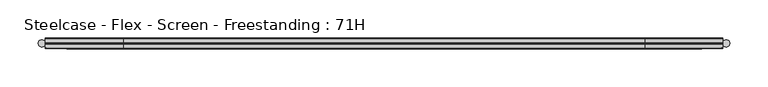
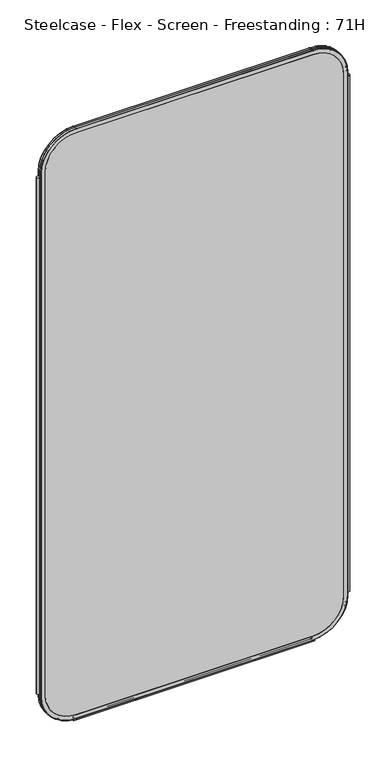
"""IFC4 building model written with IfcOpenShell, lengths in millimetres: furniture geometry, Steelcase - Flex - Screen - Freestanding : 71H."""

from ifc_helpers import new_model, si_unit, point, frame, frame_2d, origin, place, context, project, spatial, polyline, circle_curve, ellipse_curve, trimmed, segment, composite_curve, outline, extrude, source, transform, mapped, element, save
from ifc_brep_helpers import plane_surface, cylinder_surface, revolved_surface, advanced_brep


def steelcase_flex_screen_freestanding_71h_8a43d6be(model_context):
    return source(origin(), model_context, "Body", "SolidModel", [
        extrude(outline(composite_curve([segment(trimmed(circle_curve(frame_2d((4.5307839, 0.0)), 4.572), [point((-0.0412161, 0.0))], [point((9.1027839, 0.0))], False, "CARTESIAN"), True, "CONTINUOUS"), segment(trimmed(circle_curve(frame_2d((4.5307839, 0.0)), 4.572), [point((9.1027839, 0.0))], [point((-0.0412161, 0.0))], False, "CARTESIAN"), True, "CONTINUOUS")], self_intersect=False)), frame((0.0, 0.0, 115.57), z_axis=(0.0, 0.0, 1.0), x_axis=(1.0, 0.0, 0.0)), (0.0, 0.0, 1.0), 1572.26),
        extrude(outline(composite_curve([segment(trimmed(circle_curve(frame_2d((898.7749587, 0.0)), 4.572), [point((894.2029587, 0.0))], [point((903.3469587, 0.0))], False, "CARTESIAN"), True, "CONTINUOUS"), segment(trimmed(circle_curve(frame_2d((898.7749587, 0.0)), 4.572), [point((903.3469587, 0.0))], [point((894.2029587, 0.0))], False, "CARTESIAN"), True, "CONTINUOUS")], self_intersect=False)), frame((0.0, 0.0, 115.57), z_axis=(0.0, 0.0, 1.0), x_axis=(1.0, 0.0, 0.0)), (0.0, 0.0, 1.0), 1572.26),
        extrude(outline(composite_curve([segment(trimmed(circle_curve(frame_2d((-3.5, 4.4751953)), 0.5), [point((-3.5, 4.9751953))], [point((-3.5, 3.9751953))], False, "CARTESIAN"), True, "CONTINUOUS"), segment(trimmed(circle_curve(frame_2d((-3.5, 2.4751953)), 1.5), [point((-3.5, 3.9751953))], [point((-2.3025096, 1.5718589))], True, "CARTESIAN"), True, "CONTINUOUS"), segment(trimmed(circle_curve(frame_2d((-10.3325937, 7.629417)), 10.0586411), [point((-2.3025096, 1.5718589))], [point((-0.714976, 4.6836248))], True, "CARTESIAN"), True, "CONTINUOUS"), segment(trimmed(circle_curve(frame_2d((0.0, 4.4646339)), 0.7477618), [point((-0.714976, 4.6836248))], [point((0.714976, 4.6836248))], False, "CARTESIAN"), True, "CONTINUOUS"), segment(trimmed(circle_curve(frame_2d((10.3325937, 7.629417)), 10.0586411), [point((0.714976, 4.6836248))], [point((2.3025096, 1.5718589))], True, "CARTESIAN"), True, "CONTINUOUS"), segment(trimmed(circle_curve(frame_2d((3.5, 2.4751953)), 1.5), [point((2.3025096, 1.5718589))], [point((3.5, 3.9751953))], True, "CARTESIAN"), True, "CONTINUOUS"), segment(trimmed(circle_curve(frame_2d((3.5, 4.4751953)), 0.5), [point((3.5, 3.9751953))], [point((3.5, 4.9751953))], False, "CARTESIAN"), True, "CONTINUOUS"), segment(trimmed(circle_curve(frame_2d((3.5, 2.4751953)), 2.5), [point((3.5, 4.9751953))], [point((1.4656663, 1.0220998))], False, "CARTESIAN"), True, "CONTINUOUS"), segment(trimmed(circle_curve(frame_2d((0.0, -0.0248047)), 1.8011626), [point((1.4656663, 1.0220998))], [point((-1.4656663, 1.0220998))], True, "CARTESIAN"), True, "CONTINUOUS"), segment(trimmed(circle_curve(frame_2d((-3.5, 2.4751953)), 2.5), [point((-1.4656663, 1.0220998))], [point((-3.5, 4.9751953))], False, "CARTESIAN"), True, "CONTINUOUS")], self_intersect=False)), frame((104.1640108, 0.0, 0.0), z_axis=(1.0, 0.0, 0.0), x_axis=(0.0, 1.0, 0.0)), (0.0, 0.0, 1.0), 694.9777209),
        advanced_brep(
        [(9.9273521, 0.0, 1701.8), (110.7653521, 0.0, 1802.638), (792.5652086, 0.0, 1802.638), (893.4032086, 0.0, 1701.8), (893.4032086, 0.0, 106.5996464), (792.5652086, 0.0, 5.7616464), (110.7653521, 0.0, 5.7616464), (9.9273521, 0.0, 106.5996464), (792.5652086, 0.0, 17.6996464), (881.4652086, 0.0, 106.5996464), (881.4652086, 0.0, 1701.8), (792.5652086, 0.0, 1790.7), (110.7653521, 0.0, 1790.7), (21.8653521, 0.0, 1701.8), (21.8653521, 0.0, 106.5996464), (110.7653521, 0.0, 17.6996464), (110.7653521, -0.762, 1803.4), (9.1653521, -0.762, 1701.8), (110.7653521, -6.096, 1803.4), (9.1653521, -6.096, 1701.8), (110.7653521, -6.858, 1802.638), (9.9273521, -6.858, 1701.8), (110.7653521, -6.858, 1790.7), (21.8653521, -6.858, 1701.8), (792.5652086, -0.762, 1803.4), (792.5652086, -6.096, 1803.4), (792.5652086, -6.858, 1802.638), (792.5652086, -6.858, 1790.7), (894.1652086, -0.762, 1701.8), (894.1652086, -6.096, 1701.8), (893.4032086, -6.858, 1701.8), (881.4652086, -6.858, 1701.8), (894.1652086, -0.762, 106.5996464), (894.1652086, -6.096, 106.5996464), (893.4032086, -6.858, 106.5996464), (881.4652086, -6.858, 106.5996464), (792.5652086, -0.762, 4.9996464), (792.5652086, -6.096, 4.9996464), (792.5652086, -6.858, 5.7616464), (792.5652086, -6.858, 17.6996464), (110.7653521, -0.762, 4.9996464), (110.7653521, -6.096, 4.9996464), (110.7653521, -6.858, 5.7616464), (110.7653521, -6.858, 17.6996464), (9.1653521, -0.762, 106.5996464), (9.1653521, -6.096, 106.5996464), (9.9273521, -6.858, 106.5996464), (21.8653521, -6.858, 106.5996464)],
        [
            (0, 1, circle_curve(frame((110.7653521, 0.0, 1701.8), z_axis=(0.0, 1.0, 0.0), x_axis=(-1.0, 0.0, 0.0)), 100.838)),
            (1, 2),
            (2, 3, circle_curve(frame((792.5652086, 0.0, 1701.8), z_axis=(0.0, 1.0, 0.0), x_axis=(0.0, 0.0, 1.0)), 100.838)),
            (3, 4),
            (4, 5, circle_curve(frame((792.5652086, 0.0, 106.5996464), z_axis=(0.0, 1.0, 0.0), x_axis=(1.0, 0.0, 0.0)), 100.838)),
            (5, 6),
            (6, 7, circle_curve(frame((110.7653521, 0.0, 106.5996464), z_axis=(0.0, 1.0, 0.0), x_axis=(0.0, 0.0, -1.0)), 100.838)),
            (7, 0),
            (8, 9, circle_curve(frame((792.5652086, 0.0, 106.5996464), z_axis=(0.0, -1.0, 0.0), x_axis=(1.0, 0.0, 0.0)), 88.9)),
            (9, 10),
            (10, 11, circle_curve(frame((792.5652086, 0.0, 1701.8), z_axis=(0.0, -1.0, 0.0), x_axis=(0.0, 0.0, 1.0)), 88.9)),
            (11, 12),
            (12, 13, circle_curve(frame((110.7653521, 0.0, 1701.8), z_axis=(0.0, -1.0, 0.0), x_axis=(-1.0, 0.0, 0.0)), 88.9)),
            (13, 14),
            (14, 15, circle_curve(frame((110.7653521, 0.0, 106.5996464), z_axis=(0.0, -1.0, 0.0), x_axis=(0.0, 0.0, -1.0)), 88.9)),
            (15, 8),
            (16, 1, circle_curve(frame((110.7653521, -0.762, 1802.638), z_axis=(-1.0, 0.0, 0.0), x_axis=(0.0, 0.0, 1.0)), 0.762)),
            (0, 17, circle_curve(frame((9.9273521, -0.762, 1701.8), z_axis=(0.0, 0.0, 1.0), x_axis=(-1.0, 0.0, 0.0)), 0.762)),
            (17, 16, circle_curve(frame((110.7653521, -0.762, 1701.8), z_axis=(0.0, 1.0, 0.0), x_axis=(-1.0, 0.0, 0.0)), 101.6)),
            (18, 16),
            (17, 19),
            (19, 18, circle_curve(frame((110.7653521, -6.096, 1701.8), z_axis=(0.0, 1.0, 0.0), x_axis=(-1.0, 0.0, 0.0)), 101.6)),
            (20, 18, circle_curve(frame((110.7653521, -6.096, 1802.638), z_axis=(-1.0, 0.0, 0.0), x_axis=(0.0, 0.0, 1.0)), 0.762)),
            (19, 21, circle_curve(frame((9.9273521, -6.096, 1701.8), z_axis=(0.0, 0.0, 1.0), x_axis=(-1.0, 0.0, 0.0)), 0.762)),
            (21, 20, circle_curve(frame((110.7653521, -6.858, 1701.8), z_axis=(0.0, 1.0, 0.0), x_axis=(-1.0, 0.0, 0.0)), 100.838)),
            (12, 22),
            (22, 23, circle_curve(frame((110.7653521, -6.858, 1701.8), z_axis=(0.0, -1.0, 0.0), x_axis=(-1.0, 0.0, 0.0)), 88.9)),
            (23, 13),
            (16, 24),
            (24, 2, circle_curve(frame((792.5652086, -0.762, 1802.638), z_axis=(-1.0, 0.0, 0.0), x_axis=(0.0, 0.0, 1.0)), 0.762)),
            (18, 25),
            (25, 24),
            (20, 26),
            (26, 25, circle_curve(frame((792.5652086, -6.096, 1802.638), z_axis=(-1.0, 0.0, 0.0), x_axis=(0.0, 0.0, 1.0)), 0.762)),
            (11, 27),
            (27, 22),
            (28, 3, circle_curve(frame((893.4032086, -0.762, 1701.8), z_axis=(0.0, 0.0, 1.0), x_axis=(1.0, 0.0, 0.0)), 0.762)),
            (24, 28, circle_curve(frame((792.5652086, -0.762, 1701.8), z_axis=(0.0, 1.0, 0.0), x_axis=(0.0, 0.0, 1.0)), 101.6)),
            (29, 28),
            (25, 29, circle_curve(frame((792.5652086, -6.096, 1701.8), z_axis=(0.0, 1.0, 0.0), x_axis=(0.0, 0.0, 1.0)), 101.6)),
            (30, 29, circle_curve(frame((893.4032086, -6.096, 1701.8), z_axis=(0.0, 0.0, 1.0), x_axis=(1.0, 0.0, 0.0)), 0.762)),
            (26, 30, circle_curve(frame((792.5652086, -6.858, 1701.8), z_axis=(0.0, 1.0, 0.0), x_axis=(0.0, 0.0, 1.0)), 100.838)),
            (10, 31),
            (31, 27, circle_curve(frame((792.5652086, -6.858, 1701.8), z_axis=(0.0, -1.0, 0.0), x_axis=(0.0, 0.0, 1.0)), 88.9)),
            (28, 32),
            (32, 4, circle_curve(frame((893.4032086, -0.762, 106.5996464), z_axis=(0.0, 0.0, 1.0), x_axis=(1.0, 0.0, 0.0)), 0.762)),
            (29, 33),
            (33, 32),
            (30, 34),
            (34, 33, circle_curve(frame((893.4032086, -6.096, 106.5996464), z_axis=(0.0, 0.0, 1.0), x_axis=(1.0, 0.0, 0.0)), 0.762)),
            (9, 35),
            (35, 31),
            (36, 5, circle_curve(frame((792.5652086, -0.762, 5.7616464), z_axis=(1.0, 0.0, 0.0), x_axis=(0.0, 0.0, -1.0)), 0.762)),
            (32, 36, circle_curve(frame((792.5652086, -0.762, 106.5996464), z_axis=(0.0, 1.0, 0.0), x_axis=(1.0, 0.0, 0.0)), 101.6)),
            (37, 36),
            (33, 37, circle_curve(frame((792.5652086, -6.096, 106.5996464), z_axis=(0.0, 1.0, 0.0), x_axis=(1.0, 0.0, 0.0)), 101.6)),
            (38, 37, circle_curve(frame((792.5652086, -6.096, 5.7616464), z_axis=(1.0, 0.0, 0.0), x_axis=(0.0, 0.0, -1.0)), 0.762)),
            (34, 38, circle_curve(frame((792.5652086, -6.858, 106.5996464), z_axis=(0.0, 1.0, 0.0), x_axis=(1.0, 0.0, 0.0)), 100.838)),
            (8, 39),
            (39, 35, circle_curve(frame((792.5652086, -6.858, 106.5996464), z_axis=(0.0, -1.0, 0.0), x_axis=(1.0, 0.0, 0.0)), 88.9)),
            (36, 40),
            (40, 6, circle_curve(frame((110.7653521, -0.762, 5.7616464), z_axis=(1.0, 0.0, 0.0), x_axis=(0.0, 0.0, -1.0)), 0.762)),
            (37, 41),
            (41, 40),
            (38, 42),
            (42, 41, circle_curve(frame((110.7653521, -6.096, 5.7616464), z_axis=(1.0, 0.0, 0.0), x_axis=(0.0, 0.0, -1.0)), 0.762)),
            (15, 43),
            (43, 39),
            (44, 7, circle_curve(frame((9.9273521, -0.762, 106.5996464), z_axis=(0.0, 0.0, -1.0), x_axis=(-1.0, 0.0, 0.0)), 0.762)),
            (40, 44, circle_curve(frame((110.7653521, -0.762, 106.5996464), z_axis=(0.0, 1.0, 0.0), x_axis=(0.0, 0.0, -1.0)), 101.6)),
            (45, 44),
            (41, 45, circle_curve(frame((110.7653521, -6.096, 106.5996464), z_axis=(0.0, 1.0, 0.0), x_axis=(0.0, 0.0, -1.0)), 101.6)),
            (46, 45, circle_curve(frame((9.9273521, -6.096, 106.5996464), z_axis=(0.0, 0.0, -1.0), x_axis=(-1.0, 0.0, 0.0)), 0.762)),
            (42, 46, circle_curve(frame((110.7653521, -6.858, 106.5996464), z_axis=(0.0, 1.0, 0.0), x_axis=(0.0, 0.0, -1.0)), 100.838)),
            (14, 47),
            (47, 43, circle_curve(frame((110.7653521, -6.858, 106.5996464), z_axis=(0.0, -1.0, 0.0), x_axis=(0.0, 0.0, -1.0)), 88.9)),
            (44, 17),
            (45, 19),
            (46, 21),
            (47, 23),
        ],
        [
            plane_surface(frame((21.8653521, 0.0, 106.5996464), z_axis=(0.0, 1.0, 0.0), x_axis=(0.0, 0.0, 1.0))),
            revolved_surface(trimmed(ellipse_curve(frame((9.9273521, -0.762, 1701.8), z_axis=(0.0, 0.0, 1.0), x_axis=(-1.0, 0.0, 0.0)), 0.762, 0.762), [point((9.9273521, 0.0, 1701.8))], [point((9.1653521, -0.762, 1701.8))], True, "CARTESIAN"), (110.7653521, 0.0, 1701.8), (0.0, -1.0, 0.0)),
            cylinder_surface(frame((110.7653521, 0.0, 1701.8), z_axis=(0.0, -1.0, 0.0), x_axis=(-1.0, 0.0, 0.0)), 101.6),
            revolved_surface(trimmed(ellipse_curve(frame((9.9273521, -6.096, 1701.8), z_axis=(0.0, 0.0, 1.0), x_axis=(-1.0, 0.0, 0.0)), 0.762, 0.762), [point((9.1653521, -6.096, 1701.8))], [point((9.9273521, -6.858, 1701.8))], True, "CARTESIAN"), (110.7653521, 0.0, 1701.8), (0.0, -1.0, 0.0)),
            revolved_surface(polyline([(21.865352099999996, -6.858, 1701.8), (21.865352099999996, 0.0, 1701.8)]), (110.7653521, 0.0, 1701.8), (0.0, -1.0, 0.0)),
            cylinder_surface(frame((110.7653521, -0.762, 1802.638), z_axis=(-1.0, 0.0, 0.0), x_axis=(0.0, 0.0, 1.0)), 0.762),
            plane_surface(frame((110.7653521, -0.762, 1803.4), z_axis=(0.0, 0.0, 1.0), x_axis=(1.0, 0.0, 0.0))),
            cylinder_surface(frame((110.7653521, -6.096, 1802.638), z_axis=(-1.0, 0.0, 0.0), x_axis=(0.0, 0.0, 1.0)), 0.762),
            plane_surface(frame((110.7653521, -6.858, 1790.7), z_axis=(0.0, 0.0, -1.0), x_axis=(1.0, 0.0, 0.0))),
            revolved_surface(trimmed(ellipse_curve(frame((792.5652086, -0.762, 1802.638), z_axis=(1.0, 0.0, 0.0), x_axis=(0.0, 0.0, 1.0)), 0.762, 0.762), [point((792.5652086, 0.0, 1802.638))], [point((792.5652086, -0.762, 1803.4))], True, "CARTESIAN"), (792.5652086, 0.0, 1701.8), (0.0, -1.0, 0.0)),
            cylinder_surface(frame((792.5652086, 0.0, 1701.8), z_axis=(0.0, -1.0, 0.0), x_axis=(0.0, 0.0, 1.0)), 101.6),
            revolved_surface(trimmed(ellipse_curve(frame((792.5652086, -6.096, 1802.638), z_axis=(1.0, 0.0, 0.0), x_axis=(0.0, 0.0, 1.0)), 0.762, 0.762), [point((792.5652086, -6.096, 1803.4))], [point((792.5652086, -6.858, 1802.638))], True, "CARTESIAN"), (792.5652086, 0.0, 1701.8), (0.0, -1.0, 0.0)),
            revolved_surface(polyline([(792.5652086, -6.858, 1790.7), (792.5652086, 0.0, 1790.7)]), (792.5652086, 0.0, 1701.8), (0.0, -1.0, 0.0)),
            cylinder_surface(frame((893.4032086, -0.762, 1701.8), z_axis=(0.0, 0.0, 1.0), x_axis=(1.0, 0.0, 0.0)), 0.762),
            plane_surface(frame((894.1652086, -0.762, 1701.8), z_axis=(1.0, 0.0, 0.0), x_axis=(0.0, 0.0, -1.0))),
            cylinder_surface(frame((893.4032086, -6.096, 1701.8), z_axis=(0.0, 0.0, 1.0), x_axis=(1.0, 0.0, 0.0)), 0.762),
            plane_surface(frame((881.4652086, -6.858, 1701.8), z_axis=(-1.0, 0.0, 0.0), x_axis=(0.0, 0.0, -1.0))),
            revolved_surface(trimmed(ellipse_curve(frame((893.4032086, -0.762, 106.5996464), z_axis=(0.0, 0.0, -1.0), x_axis=(1.0, 0.0, 0.0)), 0.762, 0.762), [point((893.4032086, 0.0, 106.5996464))], [point((894.1652086, -0.762, 106.5996464))], True, "CARTESIAN"), (792.5652086, 0.0, 106.5996464), (0.0, -1.0, 0.0)),
            cylinder_surface(frame((792.5652086, 0.0, 106.5996464), z_axis=(0.0, -1.0, 0.0), x_axis=(1.0, 0.0, 0.0)), 101.6),
            revolved_surface(trimmed(ellipse_curve(frame((893.4032086, -6.096, 106.5996464), z_axis=(0.0, 0.0, -1.0), x_axis=(1.0, 0.0, 0.0)), 0.762, 0.762), [point((894.1652086, -6.096, 106.5996464))], [point((893.4032086, -6.858, 106.5996464))], True, "CARTESIAN"), (792.5652086, 0.0, 106.5996464), (0.0, -1.0, 0.0)),
            revolved_surface(polyline([(881.4652086, -6.858, 106.5996464), (881.4652086, 0.0, 106.5996464)]), (792.5652086, 0.0, 106.5996464), (0.0, -1.0, 0.0)),
            cylinder_surface(frame((792.5652086, -0.762, 5.7616464), z_axis=(1.0, 0.0, 0.0), x_axis=(0.0, 0.0, -1.0)), 0.762),
            plane_surface(frame((792.5652086, -0.762, 4.9996464), z_axis=(0.0, 0.0, -1.0), x_axis=(-1.0, 0.0, 0.0))),
            cylinder_surface(frame((792.5652086, -6.096, 5.7616464), z_axis=(1.0, 0.0, 0.0), x_axis=(0.0, 0.0, -1.0)), 0.762),
            plane_surface(frame((792.5652086, -6.858, 17.6996464), z_axis=(0.0, 0.0, 1.0), x_axis=(-1.0, 0.0, 0.0))),
            revolved_surface(trimmed(ellipse_curve(frame((110.7653521, -0.762, 5.7616464), z_axis=(-1.0, 0.0, 0.0), x_axis=(0.0, 0.0, -1.0)), 0.762, 0.762), [point((110.7653521, 0.0, 5.7616464))], [point((110.7653521, -0.762, 4.9996464))], True, "CARTESIAN"), (110.7653521, 0.0, 106.5996464), (0.0, -1.0, 0.0)),
            cylinder_surface(frame((110.7653521, 0.0, 106.5996464), z_axis=(0.0, -1.0, 0.0), x_axis=(0.0, 0.0, -1.0)), 101.6),
            revolved_surface(trimmed(ellipse_curve(frame((110.7653521, -6.096, 5.7616464), z_axis=(-1.0, 0.0, 0.0), x_axis=(0.0, 0.0, -1.0)), 0.762, 0.762), [point((110.7653521, -6.096, 4.9996464))], [point((110.7653521, -6.858, 5.7616464))], True, "CARTESIAN"), (110.7653521, 0.0, 106.5996464), (0.0, -1.0, 0.0)),
            revolved_surface(polyline([(110.7653521, -6.858, 17.699646399999992), (110.7653521, 0.0, 17.699646399999992)]), (110.7653521, 0.0, 106.5996464), (0.0, -1.0, 0.0)),
            cylinder_surface(frame((9.9273521, -0.762, 106.5996464), z_axis=(0.0, 0.0, -1.0), x_axis=(-1.0, 0.0, 0.0)), 0.762),
            plane_surface(frame((9.1653521, -0.762, 106.5996464), z_axis=(-1.0, 0.0, 0.0), x_axis=(0.0, 0.0, 1.0))),
            cylinder_surface(frame((9.9273521, -6.096, 106.5996464), z_axis=(0.0, 0.0, -1.0), x_axis=(-1.0, 0.0, 0.0)), 0.762),
            plane_surface(frame((9.9273521, -6.858, 106.5996464), z_axis=(0.0, -1.0, 0.0), x_axis=(0.0, 0.0, 1.0))),
            plane_surface(frame((21.8653521, -6.858, 106.5996464), z_axis=(1.0, 0.0, 0.0), x_axis=(0.0, 0.0, 1.0))),
        ],
        [
            (0, [[1, 2, 3, 4, 5, 6, 7, 8], [9, 10, 11, 12, 13, 14, 15, 16]]),
            (1, [[17, -1, 18, 19]]),
            (2, [[20, -19, 21, 22]]),
            (3, [[23, -22, 24, 25]]),
            (4, [[26, 27, 28, -13]]),
            (5, [[29, 30, -2, -17]]),
            (6, [[31, 32, -29, -20]]),
            (7, [[33, 34, -31, -23]]),
            (8, [[-12, 35, 36, -26]]),
            (9, [[37, -3, -30, 38]]),
            (10, [[39, -38, -32, 40]]),
            (11, [[41, -40, -34, 42]]),
            (12, [[43, 44, -35, -11]]),
            (13, [[45, 46, -4, -37]]),
            (14, [[47, 48, -45, -39]]),
            (15, [[49, 50, -47, -41]]),
            (16, [[-10, 51, 52, -43]]),
            (17, [[53, -5, -46, 54]]),
            (18, [[55, -54, -48, 56]]),
            (19, [[57, -56, -50, 58]]),
            (20, [[59, 60, -51, -9]]),
            (21, [[61, 62, -6, -53]]),
            (22, [[63, 64, -61, -55]]),
            (23, [[65, 66, -63, -57]]),
            (24, [[-16, 67, 68, -59]]),
            (25, [[69, -7, -62, 70]]),
            (26, [[71, -70, -64, 72]]),
            (27, [[73, -72, -66, 74]]),
            (28, [[75, 76, -67, -15]]),
            (29, [[77, -18, -8, -69]]),
            (30, [[78, -21, -77, -71]]),
            (31, [[79, -24, -78, -73]]),
            (32, [[-58, -49, -42, -33, -25, -79, -74, -65], [-27, -36, -44, -52, -60, -68, -76, 80]]),
            (33, [[-14, -28, -80, -75]]),
        ],
    ),
        extrude(outline(composite_curve([segment(polyline([(1790.7, 792.5652086), (1790.7, 110.7653521)]), True, "CONTINUOUS"), segment(trimmed(circle_curve(frame_2d((1701.8, 110.7653521)), 88.9), [point((1790.7, 110.7653521))], [point((1701.8, 21.8653521))], False, "CARTESIAN"), True, "CONTINUOUS"), segment(polyline([(1701.8, 21.8653521), (106.5996464, 21.8653521)]), True, "CONTINUOUS"), segment(trimmed(circle_curve(frame_2d((106.5996464, 110.7653521)), 88.9), [point((106.5996464, 21.8653521))], [point((17.6996464, 110.7653521))], False, "CARTESIAN"), True, "CONTINUOUS"), segment(polyline([(17.6996464, 110.7653521), (17.6996464, 792.5652086)]), True, "CONTINUOUS"), segment(trimmed(circle_curve(frame_2d((106.5996464, 792.5652086)), 88.9), [point((17.6996464, 792.5652086))], [point((106.5996464, 881.4652086))], False, "CARTESIAN"), True, "CONTINUOUS"), segment(polyline([(106.5996464, 881.4652086), (1701.8, 881.4652086)]), True, "CONTINUOUS"), segment(trimmed(circle_curve(frame_2d((1701.8, 792.5652086)), 88.9), [point((1701.8, 881.4652086))], [point((1790.7, 792.5652086))], False, "CARTESIAN"), True, "CONTINUOUS")], self_intersect=False)), frame((0.0, -6.858, 0.0), z_axis=(0.0, 1.0, 0.0), x_axis=(0.0, 0.0, 1.0)), (0.0, 0.0, 1.0), 6.858),
        advanced_brep(
        [(110.7653521, 6.858, 1790.7), (110.7653521, 0.0, 1790.7), (21.8653521, 0.0, 1701.8), (21.8653521, 6.858, 1701.8), (110.7653521, 6.096, 1803.4), (110.7653521, 6.858, 1802.638), (9.9273521, 6.858, 1701.8), (9.1653521, 6.096, 1701.8), (110.7653521, 0.762, 1803.4), (9.1653521, 0.762, 1701.8), (110.7653521, 0.0, 1802.638), (9.9273521, 0.0, 1701.8), (792.5652086, 6.858, 1790.7), (792.5652086, 0.0, 1790.7), (792.5652086, 6.096, 1803.4), (792.5652086, 6.858, 1802.638), (792.5652086, 0.762, 1803.4), (792.5652086, 0.0, 1802.638), (881.4652086, 6.858, 1701.8), (881.4652086, 0.0, 1701.8), (894.1652086, 6.096, 1701.8), (893.4032086, 6.858, 1701.8), (894.1652086, 0.762, 1701.8), (893.4032086, 0.0, 1701.8), (881.4652086, 6.858, 106.5996464), (881.4652086, 0.0, 106.5996464), (894.1652086, 6.096, 106.5996464), (893.4032086, 6.858, 106.5996464), (894.1652086, 0.762, 106.5996464), (893.4032086, 0.0, 106.5996464), (792.5652086, 6.858, 17.6996464), (792.5652086, 0.0, 17.6996464), (792.5652086, 6.096, 4.9996464), (792.5652086, 6.858, 5.7616464), (792.5652086, 0.762, 4.9996464), (792.5652086, 0.0, 5.7616464), (110.7653521, 6.858, 17.6996464), (110.7653521, 0.0, 17.6996464), (110.7653521, 6.096, 4.9996464), (110.7653521, 6.858, 5.7616464), (110.7653521, 0.762, 4.9996464), (110.7653521, 0.0, 5.7616464), (21.8653521, 6.858, 106.5996464), (21.8653521, 0.0, 106.5996464), (9.1653521, 6.096, 106.5996464), (9.9273521, 6.858, 106.5996464), (9.1653521, 0.762, 106.5996464), (9.9273521, 0.0, 106.5996464)],
        [
            (0, 1),
            (1, 2, circle_curve(frame((110.7653521, 0.0, 1701.8), z_axis=(0.0, -1.0, 0.0), x_axis=(-1.0, 0.0, 0.0)), 88.9)),
            (2, 3),
            (3, 0, circle_curve(frame((110.7653521, 6.858, 1701.8), z_axis=(0.0, 1.0, 0.0), x_axis=(-1.0, 0.0, 0.0)), 88.9)),
            (4, 5, circle_curve(frame((110.7653521, 6.096, 1802.638), z_axis=(-1.0, 0.0, 0.0), x_axis=(0.0, 0.0, 1.0)), 0.762)),
            (5, 6, circle_curve(frame((110.7653521, 6.858, 1701.8), z_axis=(0.0, -1.0, 0.0), x_axis=(-1.0, 0.0, 0.0)), 100.838)),
            (6, 7, circle_curve(frame((9.9273521, 6.096, 1701.8), z_axis=(0.0, 0.0, 1.0), x_axis=(-1.0, 0.0, 0.0)), 0.762)),
            (7, 4, circle_curve(frame((110.7653521, 6.096, 1701.8), z_axis=(0.0, 1.0, 0.0), x_axis=(-1.0, 0.0, 0.0)), 101.6)),
            (8, 4),
            (7, 9),
            (9, 8, circle_curve(frame((110.7653521, 0.762, 1701.8), z_axis=(0.0, 1.0, 0.0), x_axis=(-1.0, 0.0, 0.0)), 101.6)),
            (10, 8, circle_curve(frame((110.7653521, 0.762, 1802.638), z_axis=(-1.0, 0.0, 0.0), x_axis=(0.0, 0.0, 1.0)), 0.762)),
            (9, 11, circle_curve(frame((9.9273521, 0.762, 1701.8), z_axis=(0.0, 0.0, 1.0), x_axis=(-1.0, 0.0, 0.0)), 0.762)),
            (11, 10, circle_curve(frame((110.7653521, 0.0, 1701.8), z_axis=(0.0, 1.0, 0.0), x_axis=(-1.0, 0.0, 0.0)), 100.838)),
            (0, 12),
            (12, 13),
            (13, 1),
            (4, 14),
            (14, 15, circle_curve(frame((792.5652086, 6.096, 1802.638), z_axis=(-1.0, 0.0, 0.0), x_axis=(0.0, 0.0, 1.0)), 0.762)),
            (15, 5),
            (8, 16),
            (16, 14),
            (10, 17),
            (17, 16, circle_curve(frame((792.5652086, 0.762, 1802.638), z_axis=(-1.0, 0.0, 0.0), x_axis=(0.0, 0.0, 1.0)), 0.762)),
            (18, 19),
            (19, 13, circle_curve(frame((792.5652086, 0.0, 1701.8), z_axis=(0.0, -1.0, 0.0), x_axis=(0.0, 0.0, 1.0)), 88.9)),
            (12, 18, circle_curve(frame((792.5652086, 6.858, 1701.8), z_axis=(0.0, 1.0, 0.0), x_axis=(0.0, 0.0, 1.0)), 88.9)),
            (20, 21, circle_curve(frame((893.4032086, 6.096, 1701.8), z_axis=(0.0, 0.0, 1.0), x_axis=(1.0, 0.0, 0.0)), 0.762)),
            (21, 15, circle_curve(frame((792.5652086, 6.858, 1701.8), z_axis=(0.0, -1.0, 0.0), x_axis=(0.0, 0.0, 1.0)), 100.838)),
            (14, 20, circle_curve(frame((792.5652086, 6.096, 1701.8), z_axis=(0.0, 1.0, 0.0), x_axis=(0.0, 0.0, 1.0)), 101.6)),
            (22, 20),
            (16, 22, circle_curve(frame((792.5652086, 0.762, 1701.8), z_axis=(0.0, 1.0, 0.0), x_axis=(0.0, 0.0, 1.0)), 101.6)),
            (23, 22, circle_curve(frame((893.4032086, 0.762, 1701.8), z_axis=(0.0, 0.0, 1.0), x_axis=(1.0, 0.0, 0.0)), 0.762)),
            (17, 23, circle_curve(frame((792.5652086, 0.0, 1701.8), z_axis=(0.0, 1.0, 0.0), x_axis=(0.0, 0.0, 1.0)), 100.838)),
            (18, 24),
            (24, 25),
            (25, 19),
            (20, 26),
            (26, 27, circle_curve(frame((893.4032086, 6.096, 106.5996464), z_axis=(0.0, 0.0, 1.0), x_axis=(1.0, 0.0, 0.0)), 0.762)),
            (27, 21),
            (22, 28),
            (28, 26),
            (23, 29),
            (29, 28, circle_curve(frame((893.4032086, 0.762, 106.5996464), z_axis=(0.0, 0.0, 1.0), x_axis=(1.0, 0.0, 0.0)), 0.762)),
            (30, 31),
            (31, 25, circle_curve(frame((792.5652086, 0.0, 106.5996464), z_axis=(0.0, -1.0, 0.0), x_axis=(1.0, 0.0, 0.0)), 88.9)),
            (24, 30, circle_curve(frame((792.5652086, 6.858, 106.5996464), z_axis=(0.0, 1.0, 0.0), x_axis=(1.0, 0.0, 0.0)), 88.9)),
            (32, 33, circle_curve(frame((792.5652086, 6.096, 5.7616464), z_axis=(1.0, 0.0, 0.0), x_axis=(0.0, 0.0, -1.0)), 0.762)),
            (33, 27, circle_curve(frame((792.5652086, 6.858, 106.5996464), z_axis=(0.0, -1.0, 0.0), x_axis=(1.0, 0.0, 0.0)), 100.838)),
            (26, 32, circle_curve(frame((792.5652086, 6.096, 106.5996464), z_axis=(0.0, 1.0, 0.0), x_axis=(1.0, 0.0, 0.0)), 101.6)),
            (34, 32),
            (28, 34, circle_curve(frame((792.5652086, 0.762, 106.5996464), z_axis=(0.0, 1.0, 0.0), x_axis=(1.0, 0.0, 0.0)), 101.6)),
            (35, 34, circle_curve(frame((792.5652086, 0.762, 5.7616464), z_axis=(1.0, 0.0, 0.0), x_axis=(0.0, 0.0, -1.0)), 0.762)),
            (29, 35, circle_curve(frame((792.5652086, 0.0, 106.5996464), z_axis=(0.0, 1.0, 0.0), x_axis=(1.0, 0.0, 0.0)), 100.838)),
            (30, 36),
            (36, 37),
            (37, 31),
            (32, 38),
            (38, 39, circle_curve(frame((110.7653521, 6.096, 5.7616464), z_axis=(1.0, 0.0, 0.0), x_axis=(0.0, 0.0, -1.0)), 0.762)),
            (39, 33),
            (34, 40),
            (40, 38),
            (35, 41),
            (41, 40, circle_curve(frame((110.7653521, 0.762, 5.7616464), z_axis=(1.0, 0.0, 0.0), x_axis=(0.0, 0.0, -1.0)), 0.762)),
            (42, 43),
            (43, 37, circle_curve(frame((110.7653521, 0.0, 106.5996464), z_axis=(0.0, -1.0, 0.0), x_axis=(0.0, 0.0, -1.0)), 88.9)),
            (36, 42, circle_curve(frame((110.7653521, 6.858, 106.5996464), z_axis=(0.0, 1.0, 0.0), x_axis=(0.0, 0.0, -1.0)), 88.9)),
            (44, 45, circle_curve(frame((9.9273521, 6.096, 106.5996464), z_axis=(0.0, 0.0, -1.0), x_axis=(-1.0, 0.0, 0.0)), 0.762)),
            (45, 39, circle_curve(frame((110.7653521, 6.858, 106.5996464), z_axis=(0.0, -1.0, 0.0), x_axis=(0.0, 0.0, -1.0)), 100.838)),
            (38, 44, circle_curve(frame((110.7653521, 6.096, 106.5996464), z_axis=(0.0, 1.0, 0.0), x_axis=(0.0, 0.0, -1.0)), 101.6)),
            (46, 44),
            (40, 46, circle_curve(frame((110.7653521, 0.762, 106.5996464), z_axis=(0.0, 1.0, 0.0), x_axis=(0.0, 0.0, -1.0)), 101.6)),
            (47, 46, circle_curve(frame((9.9273521, 0.762, 106.5996464), z_axis=(0.0, 0.0, -1.0), x_axis=(-1.0, 0.0, 0.0)), 0.762)),
            (41, 47, circle_curve(frame((110.7653521, 0.0, 106.5996464), z_axis=(0.0, 1.0, 0.0), x_axis=(0.0, 0.0, -1.0)), 100.838)),
            (42, 3),
            (2, 43),
            (45, 6),
            (44, 7),
            (46, 9),
            (47, 11),
        ],
        [
            revolved_surface(polyline([(21.865352099999996, 0.0, 1701.8), (21.865352099999996, 6.858, 1701.8)]), (110.7653521, 0.0, 1701.8), (0.0, -1.0, 0.0)),
            revolved_surface(trimmed(ellipse_curve(frame((9.9273521, 6.096, 1701.8), z_axis=(0.0, 0.0, 1.0), x_axis=(-1.0, 0.0, 0.0)), 0.762, 0.762), [point((9.9273521, 6.858, 1701.8))], [point((9.1653521, 6.096, 1701.8))], True, "CARTESIAN"), (110.7653521, 0.0, 1701.8), (0.0, -1.0, 0.0)),
            cylinder_surface(frame((110.7653521, 0.0, 1701.8), z_axis=(0.0, -1.0, 0.0), x_axis=(-1.0, 0.0, 0.0)), 101.6),
            revolved_surface(trimmed(ellipse_curve(frame((9.9273521, 0.762, 1701.8), z_axis=(0.0, 0.0, 1.0), x_axis=(-1.0, 0.0, 0.0)), 0.762, 0.762), [point((9.1653521, 0.762, 1701.8))], [point((9.9273521, 0.0, 1701.8))], True, "CARTESIAN"), (110.7653521, 0.0, 1701.8), (0.0, -1.0, 0.0)),
            plane_surface(frame((110.7653521, 0.0, 1790.7), z_axis=(0.0, 0.0, -1.0), x_axis=(1.0, 0.0, 0.0))),
            cylinder_surface(frame((110.7653521, 6.096, 1802.638), z_axis=(-1.0, 0.0, 0.0), x_axis=(0.0, 0.0, 1.0)), 0.762),
            plane_surface(frame((110.7653521, 6.096, 1803.4), z_axis=(0.0, 0.0, 1.0), x_axis=(1.0, 0.0, 0.0))),
            cylinder_surface(frame((110.7653521, 0.762, 1802.638), z_axis=(-1.0, 0.0, 0.0), x_axis=(0.0, 0.0, 1.0)), 0.762),
            revolved_surface(polyline([(792.5652086, 0.0, 1790.7), (792.5652086, 6.858, 1790.7)]), (792.5652086, 0.0, 1701.8), (0.0, -1.0, 0.0)),
            revolved_surface(trimmed(ellipse_curve(frame((792.5652086, 6.096, 1802.638), z_axis=(1.0, 0.0, 0.0), x_axis=(0.0, 0.0, 1.0)), 0.762, 0.762), [point((792.5652086, 6.858, 1802.638))], [point((792.5652086, 6.096, 1803.4))], True, "CARTESIAN"), (792.5652086, 0.0, 1701.8), (0.0, -1.0, 0.0)),
            cylinder_surface(frame((792.5652086, 0.0, 1701.8), z_axis=(0.0, -1.0, 0.0), x_axis=(0.0, 0.0, 1.0)), 101.6),
            revolved_surface(trimmed(ellipse_curve(frame((792.5652086, 0.762, 1802.638), z_axis=(1.0, 0.0, 0.0), x_axis=(0.0, 0.0, 1.0)), 0.762, 0.762), [point((792.5652086, 0.762, 1803.4))], [point((792.5652086, 0.0, 1802.638))], True, "CARTESIAN"), (792.5652086, 0.0, 1701.8), (0.0, -1.0, 0.0)),
            plane_surface(frame((881.4652086, 0.0, 1701.8), z_axis=(-1.0, 0.0, 0.0), x_axis=(0.0, 0.0, -1.0))),
            cylinder_surface(frame((893.4032086, 6.096, 1701.8), z_axis=(0.0, 0.0, 1.0), x_axis=(1.0, 0.0, 0.0)), 0.762),
            plane_surface(frame((894.1652086, 6.096, 1701.8), z_axis=(1.0, 0.0, 0.0), x_axis=(0.0, 0.0, -1.0))),
            cylinder_surface(frame((893.4032086, 0.762, 1701.8), z_axis=(0.0, 0.0, 1.0), x_axis=(1.0, 0.0, 0.0)), 0.762),
            revolved_surface(polyline([(881.4652086, 0.0, 106.5996464), (881.4652086, 6.858, 106.5996464)]), (792.5652086, 0.0, 106.5996464), (0.0, -1.0, 0.0)),
            revolved_surface(trimmed(ellipse_curve(frame((893.4032086, 6.096, 106.5996464), z_axis=(0.0, 0.0, -1.0), x_axis=(1.0, 0.0, 0.0)), 0.762, 0.762), [point((893.4032086, 6.858, 106.5996464))], [point((894.1652086, 6.096, 106.5996464))], True, "CARTESIAN"), (792.5652086, 0.0, 106.5996464), (0.0, -1.0, 0.0)),
            cylinder_surface(frame((792.5652086, 0.0, 106.5996464), z_axis=(0.0, -1.0, 0.0), x_axis=(1.0, 0.0, 0.0)), 101.6),
            revolved_surface(trimmed(ellipse_curve(frame((893.4032086, 0.762, 106.5996464), z_axis=(0.0, 0.0, -1.0), x_axis=(1.0, 0.0, 0.0)), 0.762, 0.762), [point((894.1652086, 0.762, 106.5996464))], [point((893.4032086, 0.0, 106.5996464))], True, "CARTESIAN"), (792.5652086, 0.0, 106.5996464), (0.0, -1.0, 0.0)),
            plane_surface(frame((792.5652086, 0.0, 17.6996464), z_axis=(0.0, 0.0, 1.0), x_axis=(-1.0, 0.0, 0.0))),
            cylinder_surface(frame((792.5652086, 6.096, 5.7616464), z_axis=(1.0, 0.0, 0.0), x_axis=(0.0, 0.0, -1.0)), 0.762),
            plane_surface(frame((792.5652086, 6.096, 4.9996464), z_axis=(0.0, 0.0, -1.0), x_axis=(-1.0, 0.0, 0.0))),
            cylinder_surface(frame((792.5652086, 0.762, 5.7616464), z_axis=(1.0, 0.0, 0.0), x_axis=(0.0, 0.0, -1.0)), 0.762),
            revolved_surface(polyline([(110.7653521, 0.0, 17.699646399999992), (110.7653521, 6.858, 17.699646399999992)]), (110.7653521, 0.0, 106.5996464), (0.0, -1.0, 0.0)),
            revolved_surface(trimmed(ellipse_curve(frame((110.7653521, 6.096, 5.7616464), z_axis=(-1.0, 0.0, 0.0), x_axis=(0.0, 0.0, -1.0)), 0.762, 0.762), [point((110.7653521, 6.858, 5.7616464))], [point((110.7653521, 6.096, 4.9996464))], True, "CARTESIAN"), (110.7653521, 0.0, 106.5996464), (0.0, -1.0, 0.0)),
            cylinder_surface(frame((110.7653521, 0.0, 106.5996464), z_axis=(0.0, -1.0, 0.0), x_axis=(0.0, 0.0, -1.0)), 101.6),
            revolved_surface(trimmed(ellipse_curve(frame((110.7653521, 0.762, 5.7616464), z_axis=(-1.0, 0.0, 0.0), x_axis=(0.0, 0.0, -1.0)), 0.762, 0.762), [point((110.7653521, 0.762, 4.9996464))], [point((110.7653521, 0.0, 5.7616464))], True, "CARTESIAN"), (110.7653521, 0.0, 106.5996464), (0.0, -1.0, 0.0)),
            plane_surface(frame((21.8653521, 0.0, 106.5996464), z_axis=(1.0, 0.0, 0.0), x_axis=(0.0, 0.0, 1.0))),
            plane_surface(frame((21.8653521, 6.858, 106.5996464), z_axis=(0.0, 1.0, 0.0), x_axis=(0.0, 0.0, 1.0))),
            cylinder_surface(frame((9.9273521, 6.096, 106.5996464), z_axis=(0.0, 0.0, -1.0), x_axis=(-1.0, 0.0, 0.0)), 0.762),
            plane_surface(frame((9.1653521, 6.096, 106.5996464), z_axis=(-1.0, 0.0, 0.0), x_axis=(0.0, 0.0, 1.0))),
            cylinder_surface(frame((9.9273521, 0.762, 106.5996464), z_axis=(0.0, 0.0, -1.0), x_axis=(-1.0, 0.0, 0.0)), 0.762),
            plane_surface(frame((9.9273521, 0.0, 106.5996464), z_axis=(0.0, -1.0, 0.0), x_axis=(0.0, 0.0, 1.0))),
        ],
        [
            (0, [[1, 2, 3, 4]]),
            (1, [[5, 6, 7, 8]]),
            (2, [[9, -8, 10, 11]]),
            (3, [[12, -11, 13, 14]]),
            (4, [[15, 16, 17, -1]]),
            (5, [[18, 19, 20, -5]]),
            (6, [[21, 22, -18, -9]]),
            (7, [[23, 24, -21, -12]]),
            (8, [[25, 26, -16, 27]]),
            (9, [[28, 29, -19, 30]]),
            (10, [[31, -30, -22, 32]]),
            (11, [[33, -32, -24, 34]]),
            (12, [[35, 36, 37, -25]]),
            (13, [[38, 39, 40, -28]]),
            (14, [[41, 42, -38, -31]]),
            (15, [[43, 44, -41, -33]]),
            (16, [[45, 46, -36, 47]]),
            (17, [[48, 49, -39, 50]]),
            (18, [[51, -50, -42, 52]]),
            (19, [[53, -52, -44, 54]]),
            (20, [[55, 56, 57, -45]]),
            (21, [[58, 59, 60, -48]]),
            (22, [[61, 62, -58, -51]]),
            (23, [[63, 64, -61, -53]]),
            (24, [[65, 66, -56, 67]]),
            (25, [[68, 69, -59, 70]]),
            (26, [[71, -70, -62, 72]]),
            (27, [[73, -72, -64, 74]]),
            (28, [[75, -3, 76, -65]]),
            (29, [[-6, -20, -29, -40, -49, -60, -69, 77], [-47, -35, -27, -15, -4, -75, -67, -55]]),
            (30, [[78, -7, -77, -68]]),
            (31, [[79, -10, -78, -71]]),
            (32, [[80, -13, -79, -73]]),
            (33, [[-54, -43, -34, -23, -14, -80, -74, -63], [-2, -17, -26, -37, -46, -57, -66, -76]]),
        ],
    ),
        extrude(outline(composite_curve([segment(polyline([(1790.7, 792.5652086), (1790.7, 110.7653521)]), True, "CONTINUOUS"), segment(trimmed(circle_curve(frame_2d((1701.8, 110.7653521)), 88.9), [point((1790.7, 110.7653521))], [point((1701.8, 21.8653521))], False, "CARTESIAN"), True, "CONTINUOUS"), segment(polyline([(1701.8, 21.8653521), (106.5996464, 21.8653521)]), True, "CONTINUOUS"), segment(trimmed(circle_curve(frame_2d((106.5996464, 110.7653521)), 88.9), [point((106.5996464, 21.8653521))], [point((17.6996464, 110.7653521))], False, "CARTESIAN"), True, "CONTINUOUS"), segment(polyline([(17.6996464, 110.7653521), (17.6996464, 792.5652086)]), True, "CONTINUOUS"), segment(trimmed(circle_curve(frame_2d((106.5996464, 792.5652086)), 88.9), [point((17.6996464, 792.5652086))], [point((106.5996464, 881.4652086))], False, "CARTESIAN"), True, "CONTINUOUS"), segment(polyline([(106.5996464, 881.4652086), (1701.8, 881.4652086)]), True, "CONTINUOUS"), segment(trimmed(circle_curve(frame_2d((1701.8, 792.5652086)), 88.9), [point((1701.8, 881.4652086))], [point((1790.7, 792.5652086))], False, "CARTESIAN"), True, "CONTINUOUS")], self_intersect=False)), frame((0.0, 0.0, 0.0), z_axis=(0.0, 1.0, 0.0), x_axis=(0.0, 0.0, 1.0)), (0.0, 0.0, 1.0), 6.858),
    ])


if __name__ == "__main__":
    model = new_model("IFC4")
    model_context = context("Model", 3, world=origin())
    ifc_project = project(units=[si_unit("LENGTHUNIT", "METRE", prefix="MILLI")], contexts=[model_context])
    site = spatial("IfcSite", under=ifc_project)
    building = spatial("IfcBuilding", under=site)
    placement = place(None, origin())
    steelcase_flex_screen_freestanding_71h_shape = steelcase_flex_screen_freestanding_71h_8a43d6be(model_context)
    element("IfcFurniture", 1, ObjectType="Steelcase - Flex - Screen - Freestanding : 71H", at=placement, inside=building, context=model_context, shape_type="MappedRepresentation", body=[
        mapped(steelcase_flex_screen_freestanding_71h_shape, transform((0.0, 0.0, 0.0), x_axis=(1.0, 0.0, 0.0), y_axis=(0.0, 1.0, 0.0), z_axis=(0.0, 0.0, 1.0))),
    ])
    save(model, "model.ifc")
